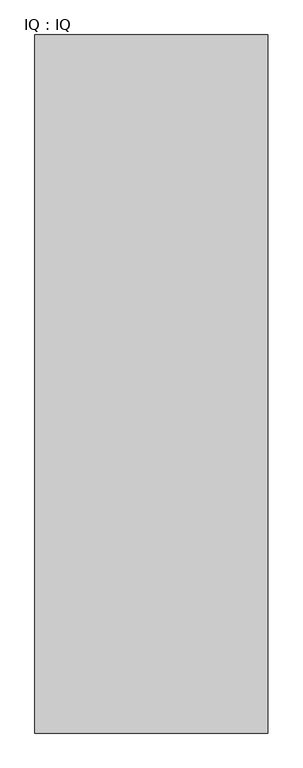
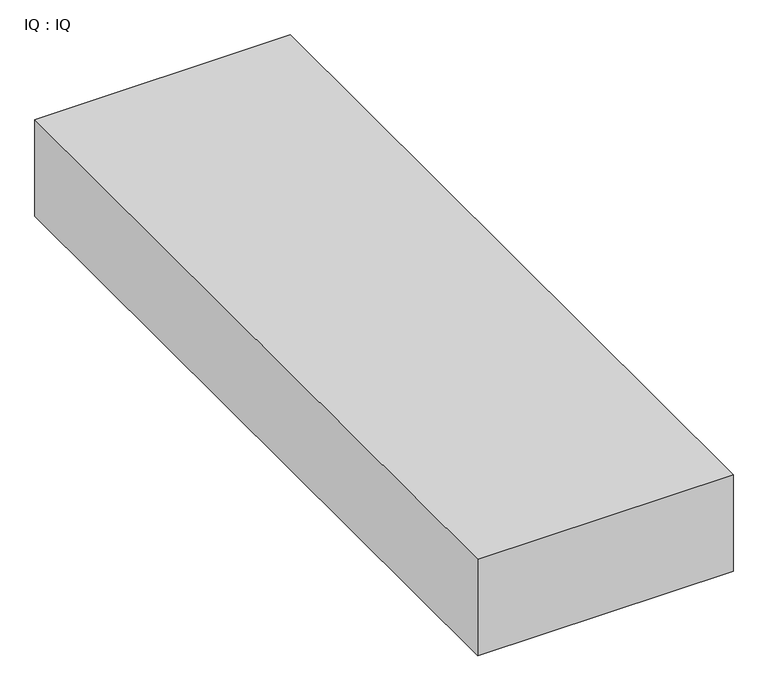
"""IFC4 building model written with IfcOpenShell, lengths in millimetres: proxy geometry, IQ : IQ."""

from ifc_helpers import new_model, si_unit, frame, origin, place, context, project, spatial, polyline, outline, extrude, source, transform, mapped, element, save


def iq_iq_8d8ca2ac(model_context):
    return source(origin(), model_context, "Body", "SweptSolid", [
        extrude(outline(polyline([(500.0, 1500.0), (500.0, 0.0), (0.0, 0.0), (0.0, 1500.0), (500.0, 1500.0)])), frame((0.0, 0.0, 300.0), z_axis=(0.0, 0.0, 1.0), x_axis=(1.0, 0.0, 0.0)), (0.0, 0.0, 1.0), 200.0),
    ])


if __name__ == "__main__":
    model = new_model("IFC4")
    model_context = context("Model", 3, world=origin())
    ifc_project = project(units=[si_unit("LENGTHUNIT", "METRE", prefix="MILLI")], contexts=[model_context])
    site = spatial("IfcSite", under=ifc_project)
    building = spatial("IfcBuilding", under=site)
    placement = place(None, origin())
    iq_iq_shape = iq_iq_8d8ca2ac(model_context)
    element("IfcBuildingElementProxy", 1, Name="IQ : IQ", ObjectType="IQ : IQ", at=placement, inside=building, context=model_context, shape_type="MappedRepresentation", body=[
        mapped(iq_iq_shape, transform((0.0, 0.0, 0.0), x_axis=(1.0, 0.0, 0.0), y_axis=(0.0, 1.0, 0.0), z_axis=(0.0, 0.0, 1.0))),
    ])
    save(model, "model.ifc")
